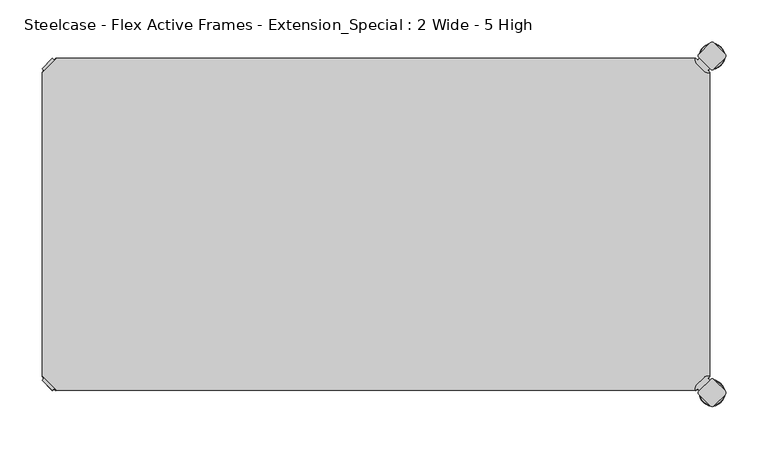
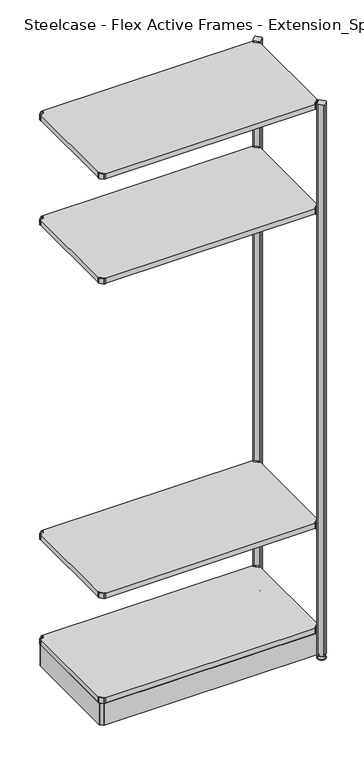
"""IFC4 building model written with IfcOpenShell, lengths in millimetres: furniture geometry, Steelcase - Flex Active Frames - Extension_Special : 2 Wide - 5 High."""

from ifc_helpers import new_model, si_unit, point, frame, frame_2d, origin, place, context, project, spatial, polyline, circle_curve, ellipse_curve, trimmed, segment, composite_curve, outline, extrude, source, transform, mapped, element, save
from ifc_brep_helpers import plane_surface, cylinder_surface, revolved_surface, advanced_brep


def steelcase_flex_active_frames_extension_special_2_wide_5_high_94a55dea(model_context):
    return source(origin(), model_context, "Body", "SolidModel", [
        advanced_brep(
        [(795.4995166, -396.9286835, 0.0), (809.4482375, -396.9286835, 0.0), (781.5507958, -396.9286835, 0.0), (810.3951451, -396.9286835, 2.116325), (780.6038882, -396.9286835, 2.116325), (804.2429012, -396.9286835, 8.9997406), (786.7561321, -396.9286835, 8.9997406), (802.9003852, -396.9286835, 8.9997406), (788.0986481, -396.9286835, 8.9997406), (802.9003852, -396.9286835, 12.0919909), (788.0986481, -396.9286835, 12.0919909), (802.3923852, -396.9286835, 12.5999909), (788.6066481, -396.9286835, 12.5999909), (799.518847, -396.9286835, 12.5999909), (791.4801863, -396.9286835, 12.5999909), (799.518847, -396.9286835, 22.7146261), (791.4801863, -396.9286835, 22.7146261), (795.4995166, -396.9286835, 22.7146261)],
        [
            (0, 1),
            (1, 2, circle_curve(frame((795.4995166, -396.9286835, 0.0), z_axis=(0.0, 0.0, -1.0), x_axis=(1.0, 0.0, 0.0)), 13.9487209)),
            (2, 0),
            (2, 1, circle_curve(frame((795.4995166, -396.9286835, 0.0), z_axis=(0.0, 0.0, -1.0), x_axis=(1.0, 0.0, 0.0)), 13.9487209)),
            (1, 3, circle_curve(frame((809.4482375, -396.9286835, 1.27), z_axis=(0.0, -1.0, 0.0), x_axis=(1.0, 0.0, 0.0)), 1.27)),
            (3, 4, circle_curve(frame((795.4995166, -396.9286835, 2.116325), z_axis=(0.0, 0.0, -1.0), x_axis=(1.0, 0.0, 0.0)), 14.8956285)),
            (4, 2, circle_curve(frame((781.5507958, -396.9286835, 1.27), z_axis=(0.0, -1.0, 0.0), x_axis=(-1.0, 0.0, 0.0)), 1.27)),
            (4, 3, circle_curve(frame((795.4995166, -396.9286835, 2.116325), z_axis=(0.0, 0.0, -1.0), x_axis=(1.0, 0.0, 0.0)), 14.8956285)),
            (3, 5),
            (5, 6, circle_curve(frame((795.4995166, -396.9286835, 8.9997406), z_axis=(0.0, 0.0, -1.0), x_axis=(1.0, 0.0, 0.0)), 8.7433846)),
            (6, 4),
            (6, 5, circle_curve(frame((795.4995166, -396.9286835, 8.9997406), z_axis=(0.0, 0.0, -1.0), x_axis=(1.0, 0.0, 0.0)), 8.7433846)),
            (5, 7),
            (7, 8, circle_curve(frame((795.4995166, -396.9286835, 8.9997406), z_axis=(0.0, 0.0, -1.0), x_axis=(1.0, 0.0, 0.0)), 7.4008685)),
            (8, 6),
            (8, 7, circle_curve(frame((795.4995166, -396.9286835, 8.9997406), z_axis=(0.0, 0.0, -1.0), x_axis=(1.0, 0.0, 0.0)), 7.4008685)),
            (7, 9),
            (9, 10, circle_curve(frame((795.4995166, -396.9286835, 12.0919909), z_axis=(0.0, 0.0, -1.0), x_axis=(1.0, 0.0, 0.0)), 7.4008685)),
            (10, 8),
            (10, 9, circle_curve(frame((795.4995166, -396.9286835, 12.0919909), z_axis=(0.0, 0.0, -1.0), x_axis=(1.0, 0.0, 0.0)), 7.4008685)),
            (9, 11, circle_curve(frame((802.3923852, -396.9286835, 12.0919909), z_axis=(0.0, -1.0, 0.0), x_axis=(1.0, 0.0, 0.0)), 0.508)),
            (11, 12, circle_curve(frame((795.4995166, -396.9286835, 12.5999909), z_axis=(0.0, 0.0, -1.0), x_axis=(1.0, 0.0, 0.0)), 6.8928685)),
            (12, 10, circle_curve(frame((788.6066481, -396.9286835, 12.0919909), z_axis=(0.0, -1.0, 0.0), x_axis=(-1.0, 0.0, 0.0)), 0.508)),
            (12, 11, circle_curve(frame((795.4995166, -396.9286835, 12.5999909), z_axis=(0.0, 0.0, -1.0), x_axis=(1.0, 0.0, 0.0)), 6.8928685)),
            (11, 13),
            (13, 14, circle_curve(frame((795.4995166, -396.9286835, 12.5999909), z_axis=(0.0, 0.0, -1.0), x_axis=(1.0, 0.0, 0.0)), 4.0193303)),
            (14, 12),
            (14, 13, circle_curve(frame((795.4995166, -396.9286835, 12.5999909), z_axis=(0.0, 0.0, -1.0), x_axis=(1.0, 0.0, 0.0)), 4.0193303)),
            (13, 15),
            (15, 16, circle_curve(frame((795.4995166, -396.9286835, 22.7146261), z_axis=(0.0, 0.0, -1.0), x_axis=(1.0, 0.0, 0.0)), 4.0193303)),
            (16, 14),
            (16, 15, circle_curve(frame((795.4995166, -396.9286835, 22.7146261), z_axis=(0.0, 0.0, -1.0), x_axis=(1.0, 0.0, 0.0)), 4.0193303)),
            (15, 17),
            (17, 16),
        ],
        [
            plane_surface(frame((795.4995166, -396.9286835, 0.0), z_axis=(0.0, 0.0, -1.0), x_axis=(1.0, 0.0, 0.0))),
            revolved_surface(trimmed(ellipse_curve(frame((809.4482375, -396.9286835, 1.27), z_axis=(0.0, 1.0, 0.0), x_axis=(1.0, 0.0, 0.0)), 1.27, 1.27), [point((810.3951451, -396.9286835, 2.116325))], [point((809.4482375, -396.9286835, 0.0))], True, "CARTESIAN"), (795.4995166, -396.9286835, 32.0514718), (0.0, 0.0, -1.0)),
            revolved_surface(polyline([(804.2429012, -396.9286835, 8.9997406), (810.3951451, -396.9286835, 2.116325)]), (795.4995166, -396.9286835, 32.0514718), (0.0, 0.0, -1.0)),
            plane_surface(frame((795.4995166, -396.9286835, 8.9997406), z_axis=(0.0, 0.0, 1.0), x_axis=(1.0, 0.0, 0.0))),
            cylinder_surface(frame((795.4995166, -396.9286835, 32.0514718), z_axis=(0.0, 0.0, -1.0), x_axis=(1.0, 0.0, 0.0)), 7.4008685),
            revolved_surface(trimmed(ellipse_curve(frame((802.3923852, -396.9286835, 12.0919909), z_axis=(0.0, 1.0, 0.0), x_axis=(1.0, 0.0, 0.0)), 0.508, 0.508), [point((802.3923852, -396.9286835, 12.5999909))], [point((802.9003852, -396.9286835, 12.0919909))], True, "CARTESIAN"), (795.4995166, -396.9286835, 32.0514718), (0.0, 0.0, -1.0)),
            plane_surface(frame((795.4995166, -396.9286835, 12.5999909), z_axis=(0.0, 0.0, 1.0), x_axis=(1.0, 0.0, 0.0))),
            cylinder_surface(frame((795.4995166, -396.9286835, 32.0514718), z_axis=(0.0, 0.0, -1.0), x_axis=(1.0, 0.0, 0.0)), 4.0193303),
            plane_surface(frame((795.4995166, -396.9286835, 22.7146261), z_axis=(0.0, 0.0, 1.0), x_axis=(1.0, 0.0, 0.0))),
        ],
        [
            (0, [[1, 2, 3]]),
            (0, [[-3, 4, -1]]),
            (1, [[-2, 5, 6, 7]]),
            (1, [[-4, -7, 8, -5]]),
            (2, [[-6, 9, 10, 11]]),
            (2, [[-8, -11, 12, -9]]),
            (3, [[-10, 13, 14, 15]]),
            (3, [[-12, -15, 16, -13]]),
            (4, [[-14, 17, 18, 19]]),
            (4, [[-16, -19, 20, -17]]),
            (5, [[-18, 21, 22, 23]]),
            (5, [[-20, -23, 24, -21]]),
            (6, [[-22, 25, 26, 27]]),
            (6, [[-24, -27, 28, -25]]),
            (7, [[-26, 29, 30, 31]]),
            (7, [[-28, -31, 32, -29]]),
            (8, [[-30, 33, 34]]),
            (8, [[-32, -34, -33]]),
        ],
    ),
        advanced_brep(
        [(795.4995166, 2.9246323, 0.0), (781.5507958, 2.9246323, 0.0), (809.4482375, 2.9246323, 0.0), (780.6038882, 2.9246323, 2.116325), (810.3951451, 2.9246323, 2.116325), (786.7561321, 2.9246323, 8.9997406), (804.2429012, 2.9246323, 8.9997406), (788.0986481, 2.9246323, 8.9997406), (802.9003852, 2.9246323, 8.9997406), (788.0986481, 2.9246323, 12.0919909), (802.9003852, 2.9246323, 12.0919909), (788.6066481, 2.9246323, 12.5999909), (802.3923852, 2.9246323, 12.5999909), (791.4801863, 2.9246323, 12.5999909), (799.518847, 2.9246323, 12.5999909), (791.4801863, 2.9246323, 22.7146261), (799.518847, 2.9246323, 22.7146261), (795.4995166, 2.9246323, 22.7146261)],
        [
            (0, 1),
            (1, 2, circle_curve(frame((795.4995166, 2.9246323, 0.0), z_axis=(0.0, 0.0, -1.0), x_axis=(1.0, 0.0, 0.0)), 13.9487209)),
            (2, 0),
            (2, 1, circle_curve(frame((795.4995166, 2.9246323, 0.0), z_axis=(0.0, 0.0, -1.0), x_axis=(1.0, 0.0, 0.0)), 13.9487209)),
            (1, 3, circle_curve(frame((781.5507958, 2.9246323, 1.27), z_axis=(0.0, 1.0, 0.0), x_axis=(-1.0, 0.0, 0.0)), 1.27)),
            (3, 4, circle_curve(frame((795.4995166, 2.9246323, 2.116325), z_axis=(0.0, 0.0, -1.0), x_axis=(1.0, 0.0, 0.0)), 14.8956285)),
            (4, 2, circle_curve(frame((809.4482375, 2.9246323, 1.27), z_axis=(0.0, 1.0, 0.0), x_axis=(1.0, 0.0, 0.0)), 1.27)),
            (4, 3, circle_curve(frame((795.4995166, 2.9246323, 2.116325), z_axis=(0.0, 0.0, -1.0), x_axis=(1.0, 0.0, 0.0)), 14.8956285)),
            (3, 5),
            (5, 6, circle_curve(frame((795.4995166, 2.9246323, 8.9997406), z_axis=(0.0, 0.0, -1.0), x_axis=(1.0, 0.0, 0.0)), 8.7433846)),
            (6, 4),
            (6, 5, circle_curve(frame((795.4995166, 2.9246323, 8.9997406), z_axis=(0.0, 0.0, -1.0), x_axis=(1.0, 0.0, 0.0)), 8.7433846)),
            (5, 7),
            (7, 8, circle_curve(frame((795.4995166, 2.9246323, 8.9997406), z_axis=(0.0, 0.0, -1.0), x_axis=(1.0, 0.0, 0.0)), 7.4008685)),
            (8, 6),
            (8, 7, circle_curve(frame((795.4995166, 2.9246323, 8.9997406), z_axis=(0.0, 0.0, -1.0), x_axis=(1.0, 0.0, 0.0)), 7.4008685)),
            (7, 9),
            (9, 10, circle_curve(frame((795.4995166, 2.9246323, 12.0919909), z_axis=(0.0, 0.0, -1.0), x_axis=(1.0, 0.0, 0.0)), 7.4008685)),
            (10, 8),
            (10, 9, circle_curve(frame((795.4995166, 2.9246323, 12.0919909), z_axis=(0.0, 0.0, -1.0), x_axis=(1.0, 0.0, 0.0)), 7.4008685)),
            (9, 11, circle_curve(frame((788.6066481, 2.9246323, 12.0919909), z_axis=(0.0, 1.0, 0.0), x_axis=(-1.0, 0.0, 0.0)), 0.508)),
            (11, 12, circle_curve(frame((795.4995166, 2.9246323, 12.5999909), z_axis=(0.0, 0.0, -1.0), x_axis=(1.0, 0.0, 0.0)), 6.8928685)),
            (12, 10, circle_curve(frame((802.3923852, 2.9246323, 12.0919909), z_axis=(0.0, 1.0, 0.0), x_axis=(1.0, 0.0, 0.0)), 0.508)),
            (12, 11, circle_curve(frame((795.4995166, 2.9246323, 12.5999909), z_axis=(0.0, 0.0, -1.0), x_axis=(1.0, 0.0, 0.0)), 6.8928685)),
            (11, 13),
            (13, 14, circle_curve(frame((795.4995166, 2.9246323, 12.5999909), z_axis=(0.0, 0.0, -1.0), x_axis=(1.0, 0.0, 0.0)), 4.0193303)),
            (14, 12),
            (14, 13, circle_curve(frame((795.4995166, 2.9246323, 12.5999909), z_axis=(0.0, 0.0, -1.0), x_axis=(1.0, 0.0, 0.0)), 4.0193303)),
            (13, 15),
            (15, 16, circle_curve(frame((795.4995166, 2.9246323, 22.7146261), z_axis=(0.0, 0.0, -1.0), x_axis=(1.0, 0.0, 0.0)), 4.0193303)),
            (16, 14),
            (16, 15, circle_curve(frame((795.4995166, 2.9246323, 22.7146261), z_axis=(0.0, 0.0, -1.0), x_axis=(1.0, 0.0, 0.0)), 4.0193303)),
            (15, 17),
            (17, 16),
        ],
        [
            plane_surface(frame((795.4995166, 2.9246323, 0.0), z_axis=(0.0, 0.0, -1.0), x_axis=(1.0, 0.0, 0.0))),
            revolved_surface(trimmed(ellipse_curve(frame((809.4482375, 2.9246323, 1.27), z_axis=(0.0, 1.0, 0.0), x_axis=(1.0, 0.0, 0.0)), 1.27, 1.27), [point((810.3951451, 2.9246323, 2.116325))], [point((809.4482375, 2.9246323, 0.0))], True, "CARTESIAN"), (795.4995166, 2.9246323, 32.0514718), (0.0, 0.0, -1.0)),
            revolved_surface(polyline([(804.2429012, 2.9246323, 8.9997406), (810.3951451, 2.9246323, 2.116325)]), (795.4995166, 2.9246323, 32.0514718), (0.0, 0.0, -1.0)),
            plane_surface(frame((795.4995166, 2.9246323, 8.9997406), z_axis=(0.0, 0.0, 1.0), x_axis=(1.0, 0.0, 0.0))),
            cylinder_surface(frame((795.4995166, 2.9246323, 32.0514718), z_axis=(0.0, 0.0, -1.0), x_axis=(1.0, 0.0, 0.0)), 7.4008685),
            revolved_surface(trimmed(ellipse_curve(frame((802.3923852, 2.9246323, 12.0919909), z_axis=(0.0, 1.0, 0.0), x_axis=(1.0, 0.0, 0.0)), 0.508, 0.508), [point((802.3923852, 2.9246323, 12.5999909))], [point((802.9003852, 2.9246323, 12.0919909))], True, "CARTESIAN"), (795.4995166, 2.9246323, 32.0514718), (0.0, 0.0, -1.0)),
            plane_surface(frame((795.4995166, 2.9246323, 12.5999909), z_axis=(0.0, 0.0, 1.0), x_axis=(1.0, 0.0, 0.0))),
            cylinder_surface(frame((795.4995166, 2.9246323, 32.0514718), z_axis=(0.0, 0.0, -1.0), x_axis=(1.0, 0.0, 0.0)), 4.0193303),
            plane_surface(frame((795.4995166, 2.9246323, 22.7146261), z_axis=(0.0, 0.0, 1.0), x_axis=(1.0, 0.0, 0.0))),
        ],
        [
            (0, [[1, 2, 3]]),
            (0, [[-3, 4, -1]]),
            (1, [[5, 6, 7, -2]]),
            (1, [[-7, 8, -5, -4]]),
            (2, [[9, 10, 11, -6]]),
            (2, [[-11, 12, -9, -8]]),
            (3, [[13, 14, 15, -10]]),
            (3, [[-15, 16, -13, -12]]),
            (4, [[17, 18, 19, -14]]),
            (4, [[-19, 20, -17, -16]]),
            (5, [[21, 22, 23, -18]]),
            (5, [[-23, 24, -21, -20]]),
            (6, [[25, 26, 27, -22]]),
            (6, [[-27, 28, -25, -24]]),
            (7, [[29, 30, 31, -26]]),
            (7, [[-31, 32, -29, -28]]),
            (8, [[33, 34, -30]]),
            (8, [[-34, -33, -32]]),
        ],
    ),
        extrude(outline(composite_curve([segment(polyline([(778.3364357, -1.93874), (780.4244011, 0.1493247), (792.6187028, -12.044977), (790.530772, -14.1329326), (792.5017057, -16.1038431), (792.4895198, -17.203916), (789.7543812, -16.8384277)]), True, "CONTINUOUS"), segment(trimmed(circle_curve(frame_2d((790.5954366, -10.5443729)), 6.35), [point((789.7543812, -16.8384277))], [point((786.1052784, -15.0344708))], False, "CARTESIAN"), True, "CONTINUOUS"), segment(polyline([(786.1052784, -15.0344708), (777.4359854, -6.3650612)]), True, "CONTINUOUS"), segment(trimmed(circle_curve(frame_2d((781.9261436, -1.8749633)), 6.35), [point((777.4359854, -6.3650612))], [point((775.6321123, -2.7161946))], False, "CARTESIAN"), True, "CONTINUOUS"), segment(polyline([(775.6321123, -2.7161946), (775.26654, 0.0189911), (776.3664729, 0.0311996), (778.3364357, -1.93874)]), True, "CONTINUOUS")], self_intersect=False)), frame((0.0, 0.0, 2096.4822075), z_axis=(0.0, 0.0, 1.0), x_axis=(1.0, 0.0, 0.0)), (0.0, 0.0, 1.0), 20.2281258),
        extrude(outline(composite_curve([segment(polyline([(778.3364357, -392.01526), (776.3664729, -393.9851996), (775.26654, -393.9729911), (775.6321123, -391.2378054)]), True, "CONTINUOUS"), segment(trimmed(circle_curve(frame_2d((781.9261436, -392.0790367)), 6.35), [point((775.6321123, -391.2378054))], [point((777.4359854, -387.5889388))], False, "CARTESIAN"), True, "CONTINUOUS"), segment(polyline([(777.4359854, -387.5889388), (786.1052784, -378.9195292)]), True, "CONTINUOUS"), segment(trimmed(circle_curve(frame_2d((790.5954366, -383.4096271)), 6.35), [point((786.1052784, -378.9195292))], [point((789.7543812, -377.1155723))], False, "CARTESIAN"), True, "CONTINUOUS"), segment(polyline([(789.7543812, -377.1155723), (792.4895198, -376.750084), (792.5017057, -377.8501569), (790.530772, -379.8210674), (792.6187028, -381.909023), (780.4244011, -394.1033247), (778.3364357, -392.01526)]), True, "CONTINUOUS")], self_intersect=False)), frame((0.0, 0.0, 2096.4822075), z_axis=(0.0, 0.0, 1.0), x_axis=(1.0, 0.0, 0.0)), (0.0, 0.0, 1.0), 20.2281258),
        extrude(outline(polyline([(0.0003876, -376.7599914), (0.0003876, -17.1940086), (17.1943962, 0.0), (775.2856038, 0.0), (792.4796124, -17.1940086), (792.4796124, -376.7599914), (775.2856038, -393.954), (17.1943962, -393.954), (0.0003876, -376.7599914)])), frame((0.0, 0.0, 2097.4996841), z_axis=(0.0, 0.0, 1.0), x_axis=(1.0, 0.0, 0.0)), (0.0, 0.0, 1.0), 19.0000031),
        extrude(outline(composite_curve([segment(polyline([(14.1435643, -1.93874), (16.1135271, 0.0311996), (17.21346, 0.0189911), (16.8478877, -2.7161946)]), True, "CONTINUOUS"), segment(trimmed(circle_curve(frame_2d((10.5538564, -1.8749633)), 6.35), [point((16.8478877, -2.7161946))], [point((15.0440146, -6.3650612))], False, "CARTESIAN"), True, "CONTINUOUS"), segment(polyline([(15.0440146, -6.3650612), (6.3747216, -15.0344708)]), True, "CONTINUOUS"), segment(trimmed(circle_curve(frame_2d((1.8845634, -10.5443729)), 6.35), [point((6.3747216, -15.0344708))], [point((2.7256188, -16.8384277))], False, "CARTESIAN"), True, "CONTINUOUS"), segment(polyline([(2.7256188, -16.8384277), (-0.0095198, -17.203916), (-0.0217057, -16.1038431), (1.949228, -14.1329326), (-0.1387028, -12.044977), (12.0555989, 0.1493247), (14.1435643, -1.93874)]), True, "CONTINUOUS")], self_intersect=False)), frame((0.0, 0.0, 2096.4822075), z_axis=(0.0, 0.0, 1.0), x_axis=(1.0, 0.0, 0.0)), (0.0, 0.0, 1.0), 20.2281258),
        extrude(outline(composite_curve([segment(polyline([(14.1435643, -392.01526), (12.0555989, -394.1033247), (-0.1387028, -381.909023), (1.949228, -379.8210674), (-0.0217057, -377.8501569), (-0.0095198, -376.750084), (2.7256188, -377.1155723)]), True, "CONTINUOUS"), segment(trimmed(circle_curve(frame_2d((1.8845634, -383.4096271)), 6.35), [point((2.7256188, -377.1155723))], [point((6.3747216, -378.9195292))], False, "CARTESIAN"), True, "CONTINUOUS"), segment(polyline([(6.3747216, -378.9195292), (15.0440146, -387.5889388)]), True, "CONTINUOUS"), segment(trimmed(circle_curve(frame_2d((10.5538564, -392.0790367)), 6.35), [point((15.0440146, -387.5889388))], [point((16.8478877, -391.2378054))], False, "CARTESIAN"), True, "CONTINUOUS"), segment(polyline([(16.8478877, -391.2378054), (17.21346, -393.9729911), (16.1135271, -393.9851996), (14.1435643, -392.01526)]), True, "CONTINUOUS")], self_intersect=False)), frame((0.0, 0.0, 2096.4822075), z_axis=(0.0, 0.0, 1.0), x_axis=(1.0, 0.0, 0.0)), (0.0, 0.0, 1.0), 20.2281258),
        extrude(outline(composite_curve([segment(polyline([(778.3364357, -1.93874), (780.4244011, 0.1493247), (792.6187028, -12.044977), (790.530772, -14.1329326), (792.5017057, -16.1038431), (792.4895198, -17.203916), (789.7543812, -16.8384277)]), True, "CONTINUOUS"), segment(trimmed(circle_curve(frame_2d((790.5954366, -10.5443729)), 6.35), [point((789.7543812, -16.8384277))], [point((786.1052784, -15.0344708))], False, "CARTESIAN"), True, "CONTINUOUS"), segment(polyline([(786.1052784, -15.0344708), (777.4359854, -6.3650612)]), True, "CONTINUOUS"), segment(trimmed(circle_curve(frame_2d((781.9261436, -1.8749633)), 6.35), [point((777.4359854, -6.3650612))], [point((775.6321123, -2.7161946))], False, "CARTESIAN"), True, "CONTINUOUS"), segment(polyline([(775.6321123, -2.7161946), (775.26654, 0.0189911), (776.3664729, 0.0311996), (778.3364357, -1.93874)]), True, "CONTINUOUS")], self_intersect=False)), frame((0.0, 0.0, 1696.4822044), z_axis=(0.0, 0.0, 1.0), x_axis=(1.0, 0.0, 0.0)), (0.0, 0.0, 1.0), 20.2281258),
        extrude(outline(composite_curve([segment(polyline([(778.3364357, -392.01526), (776.3664729, -393.9851996), (775.26654, -393.9729911), (775.6321123, -391.2378054)]), True, "CONTINUOUS"), segment(trimmed(circle_curve(frame_2d((781.9261436, -392.0790367)), 6.35), [point((775.6321123, -391.2378054))], [point((777.4359854, -387.5889388))], False, "CARTESIAN"), True, "CONTINUOUS"), segment(polyline([(777.4359854, -387.5889388), (786.1052784, -378.9195292)]), True, "CONTINUOUS"), segment(trimmed(circle_curve(frame_2d((790.5954366, -383.4096271)), 6.35), [point((786.1052784, -378.9195292))], [point((789.7543812, -377.1155723))], False, "CARTESIAN"), True, "CONTINUOUS"), segment(polyline([(789.7543812, -377.1155723), (792.4895198, -376.750084), (792.5017057, -377.8501569), (790.530772, -379.8210674), (792.6187028, -381.909023), (780.4244011, -394.1033247), (778.3364357, -392.01526)]), True, "CONTINUOUS")], self_intersect=False)), frame((0.0, 0.0, 1696.4822044), z_axis=(0.0, 0.0, 1.0), x_axis=(1.0, 0.0, 0.0)), (0.0, 0.0, 1.0), 20.2281258),
        extrude(outline(polyline([(0.0003876, -376.7599914), (0.0003876, -17.1940086), (17.1943962, 0.0), (775.2856038, 0.0), (792.4796124, -17.1940086), (792.4796124, -376.7599914), (775.2856038, -393.954), (17.1943962, -393.954), (0.0003876, -376.7599914)])), frame((0.0, 0.0, 1697.4996811), z_axis=(0.0, 0.0, 1.0), x_axis=(1.0, 0.0, 0.0)), (0.0, 0.0, 1.0), 19.0000031),
        extrude(outline(composite_curve([segment(polyline([(14.1435643, -1.93874), (16.1135271, 0.0311996), (17.21346, 0.0189911), (16.8478877, -2.7161946)]), True, "CONTINUOUS"), segment(trimmed(circle_curve(frame_2d((10.5538564, -1.8749633)), 6.35), [point((16.8478877, -2.7161946))], [point((15.0440146, -6.3650612))], False, "CARTESIAN"), True, "CONTINUOUS"), segment(polyline([(15.0440146, -6.3650612), (6.3747216, -15.0344708)]), True, "CONTINUOUS"), segment(trimmed(circle_curve(frame_2d((1.8845634, -10.5443729)), 6.35), [point((6.3747216, -15.0344708))], [point((2.7256188, -16.8384277))], False, "CARTESIAN"), True, "CONTINUOUS"), segment(polyline([(2.7256188, -16.8384277), (-0.0095198, -17.203916), (-0.0217057, -16.1038431), (1.949228, -14.1329326), (-0.1387028, -12.044977), (12.0555989, 0.1493247), (14.1435643, -1.93874)]), True, "CONTINUOUS")], self_intersect=False)), frame((0.0, 0.0, 1696.4822044), z_axis=(0.0, 0.0, 1.0), x_axis=(1.0, 0.0, 0.0)), (0.0, 0.0, 1.0), 20.2281258),
        extrude(outline(composite_curve([segment(polyline([(14.1435643, -392.01526), (12.0555989, -394.1033247), (-0.1387028, -381.909023), (1.949228, -379.8210674), (-0.0217057, -377.8501569), (-0.0095198, -376.750084), (2.7256188, -377.1155723)]), True, "CONTINUOUS"), segment(trimmed(circle_curve(frame_2d((1.8845634, -383.4096271)), 6.35), [point((2.7256188, -377.1155723))], [point((6.3747216, -378.9195292))], False, "CARTESIAN"), True, "CONTINUOUS"), segment(polyline([(6.3747216, -378.9195292), (15.0440146, -387.5889388)]), True, "CONTINUOUS"), segment(trimmed(circle_curve(frame_2d((10.5538564, -392.0790367)), 6.35), [point((15.0440146, -387.5889388))], [point((16.8478877, -391.2378054))], False, "CARTESIAN"), True, "CONTINUOUS"), segment(polyline([(16.8478877, -391.2378054), (17.21346, -393.9729911), (16.1135271, -393.9851996), (14.1435643, -392.01526)]), True, "CONTINUOUS")], self_intersect=False)), frame((0.0, 0.0, 1696.4822044), z_axis=(0.0, 0.0, 1.0), x_axis=(1.0, 0.0, 0.0)), (0.0, 0.0, 1.0), 20.2281258),
        extrude(outline(composite_curve([segment(polyline([(778.3364357, -1.93874), (780.4244011, 0.1493247), (792.6187028, -12.044977), (790.530772, -14.1329326), (792.5017057, -16.1038431), (792.4895198, -17.203916), (789.7543812, -16.8384277)]), True, "CONTINUOUS"), segment(trimmed(circle_curve(frame_2d((790.5954366, -10.5443729)), 6.35), [point((789.7543812, -16.8384277))], [point((786.1052784, -15.0344708))], False, "CARTESIAN"), True, "CONTINUOUS"), segment(polyline([(786.1052784, -15.0344708), (777.4359854, -6.3650612)]), True, "CONTINUOUS"), segment(trimmed(circle_curve(frame_2d((781.9261436, -1.8749633)), 6.35), [point((777.4359854, -6.3650612))], [point((775.6321123, -2.7161946))], False, "CARTESIAN"), True, "CONTINUOUS"), segment(polyline([(775.6321123, -2.7161946), (775.26654, 0.0189911), (776.3664729, 0.0311996), (778.3364357, -1.93874)]), True, "CONTINUOUS")], self_intersect=False)), frame((0.0, 0.0, 496.4821468), z_axis=(0.0, 0.0, 1.0), x_axis=(1.0, 0.0, 0.0)), (0.0, 0.0, 1.0), 20.2281258),
        extrude(outline(composite_curve([segment(polyline([(778.3364357, -392.01526), (776.3664729, -393.9851996), (775.26654, -393.9729911), (775.6321123, -391.2378054)]), True, "CONTINUOUS"), segment(trimmed(circle_curve(frame_2d((781.9261436, -392.0790367)), 6.35), [point((775.6321123, -391.2378054))], [point((777.4359854, -387.5889388))], False, "CARTESIAN"), True, "CONTINUOUS"), segment(polyline([(777.4359854, -387.5889388), (786.1052784, -378.9195292)]), True, "CONTINUOUS"), segment(trimmed(circle_curve(frame_2d((790.5954366, -383.4096271)), 6.35), [point((786.1052784, -378.9195292))], [point((789.7543812, -377.1155723))], False, "CARTESIAN"), True, "CONTINUOUS"), segment(polyline([(789.7543812, -377.1155723), (792.4895198, -376.750084), (792.5017057, -377.8501569), (790.530772, -379.8210674), (792.6187028, -381.909023), (780.4244011, -394.1033247), (778.3364357, -392.01526)]), True, "CONTINUOUS")], self_intersect=False)), frame((0.0, 0.0, 496.4821468), z_axis=(0.0, 0.0, 1.0), x_axis=(1.0, 0.0, 0.0)), (0.0, 0.0, 1.0), 20.2281258),
        extrude(outline(composite_curve([segment(polyline([(778.3364357, -1.93874), (780.4244011, 0.1493247), (792.6187028, -12.044977), (790.530772, -14.1329326), (792.5017057, -16.1038431), (792.4895198, -17.203916), (789.7543812, -16.8384277)]), True, "CONTINUOUS"), segment(trimmed(circle_curve(frame_2d((790.5954366, -10.5443729)), 6.35), [point((789.7543812, -16.8384277))], [point((786.1052784, -15.0344708))], False, "CARTESIAN"), True, "CONTINUOUS"), segment(polyline([(786.1052784, -15.0344708), (777.4359854, -6.3650612)]), True, "CONTINUOUS"), segment(trimmed(circle_curve(frame_2d((781.9261436, -1.8749633)), 6.35), [point((777.4359854, -6.3650612))], [point((775.6321123, -2.7161946))], False, "CARTESIAN"), True, "CONTINUOUS"), segment(polyline([(775.6321123, -2.7161946), (775.26654, 0.0189911), (776.3664729, 0.0311996), (778.3364357, -1.93874)]), True, "CONTINUOUS")], self_intersect=False)), frame((0.0, 0.0, 96.4824829), z_axis=(0.0, 0.0, 1.0), x_axis=(1.0, 0.0, 0.0)), (0.0, 0.0, 1.0), 20.2281258),
        extrude(outline(composite_curve([segment(polyline([(778.3364357, -392.01526), (776.3664729, -393.9851996), (775.26654, -393.9729911), (775.6321123, -391.2378054)]), True, "CONTINUOUS"), segment(trimmed(circle_curve(frame_2d((781.9261436, -392.0790367)), 6.35), [point((775.6321123, -391.2378054))], [point((777.4359854, -387.5889388))], False, "CARTESIAN"), True, "CONTINUOUS"), segment(polyline([(777.4359854, -387.5889388), (786.1052784, -378.9195292)]), True, "CONTINUOUS"), segment(trimmed(circle_curve(frame_2d((790.5954366, -383.4096271)), 6.35), [point((786.1052784, -378.9195292))], [point((789.7543812, -377.1155723))], False, "CARTESIAN"), True, "CONTINUOUS"), segment(polyline([(789.7543812, -377.1155723), (792.4895198, -376.750084), (792.5017057, -377.8501569), (790.530772, -379.8210674), (792.6187028, -381.909023), (780.4244011, -394.1033247), (778.3364357, -392.01526)]), True, "CONTINUOUS")], self_intersect=False)), frame((0.0, 0.0, 96.4824829), z_axis=(0.0, 0.0, 1.0), x_axis=(1.0, 0.0, 0.0)), (0.0, 0.0, 1.0), 20.2281258),
        extrude(outline(composite_curve([segment(trimmed(circle_curve(frame_2d((808.8538021, 2.9983545)), 3.048), [point((811.0090767, 5.1536029))], [point((811.0090505, 0.8430799))], False, "CARTESIAN"), True, "CONTINUOUS"), segment(polyline([(811.0090505, 0.8430799), (797.6462856, -12.5195224)]), True, "CONTINUOUS"), segment(trimmed(circle_curve(frame_2d((795.4910373, -10.3642478)), 3.048), [point((797.6462856, -12.5195224))], [point((793.3357649, -12.5194983))], False, "CARTESIAN"), True, "CONTINUOUS"), segment(polyline([(793.3357649, -12.5194983), (779.9732856, 0.8431164)]), True, "CONTINUOUS"), segment(trimmed(circle_curve(frame_2d((782.128558, 2.998367)), 3.048), [point((779.9732856, 0.8431164))], [point((779.9732965, 5.1536284))], False, "CARTESIAN"), True, "CONTINUOUS"), segment(polyline([(779.9732965, 5.1536284), (793.3359936, 18.5163256)]), True, "CONTINUOUS"), segment(trimmed(circle_curve(frame_2d((795.4912551, 16.3610641)), 3.048), [point((793.3359936, 18.5163256))], [point((797.6465297, 18.5163124))], False, "CARTESIAN"), True, "CONTINUOUS"), segment(polyline([(797.6465297, 18.5163124), (811.0090767, 5.1536029)]), True, "CONTINUOUS")], self_intersect=False)), frame((0.0, 0.0, 12.5999909), z_axis=(0.0, 0.0, 1.0), x_axis=(1.0, 0.0, 0.0)), (0.0, 0.0, 1.0), 2103.9820091),
        extrude(outline(composite_curve([segment(polyline([(811.0090767, -399.1076029), (797.6465297, -412.4703124)]), True, "CONTINUOUS"), segment(trimmed(circle_curve(frame_2d((795.4912551, -410.3150641)), 3.048), [point((797.6465297, -412.4703124))], [point((793.3359936, -412.4703256))], False, "CARTESIAN"), True, "CONTINUOUS"), segment(polyline([(793.3359936, -412.4703256), (779.9732965, -399.1076284)]), True, "CONTINUOUS"), segment(trimmed(circle_curve(frame_2d((782.128558, -396.952367)), 3.048), [point((779.9732965, -399.1076284))], [point((779.9732856, -394.7971164))], False, "CARTESIAN"), True, "CONTINUOUS"), segment(polyline([(779.9732856, -394.7971164), (793.3357649, -381.4345017)]), True, "CONTINUOUS"), segment(trimmed(circle_curve(frame_2d((795.4910373, -383.5897522)), 3.048), [point((793.3357649, -381.4345017))], [point((797.6462856, -381.4344776))], False, "CARTESIAN"), True, "CONTINUOUS"), segment(polyline([(797.6462856, -381.4344776), (811.0090505, -394.7970799)]), True, "CONTINUOUS"), segment(trimmed(circle_curve(frame_2d((808.8538021, -396.9523545)), 3.048), [point((811.0090505, -394.7970799))], [point((811.0090767, -399.1076029))], False, "CARTESIAN"), True, "CONTINUOUS")], self_intersect=False)), frame((0.0, 0.0, 12.5999909), z_axis=(0.0, 0.0, 1.0), x_axis=(1.0, 0.0, 0.0)), (0.0, 0.0, 1.0), 2103.9820091),
        extrude(outline(polyline([(0.0003876, -376.7599914), (0.0003876, -17.1940086), (17.1943962, 0.0), (775.2856038, 0.0), (792.4796124, -17.1940086), (792.4796124, -376.7599914), (775.2856038, -393.954), (17.1943962, -393.954), (0.0003876, -376.7599914)])), frame((0.0, 0.0, 97.4999596), z_axis=(0.0, 0.0, 1.0), x_axis=(1.0, 0.0, 0.0)), (0.0, 0.0, 1.0), 19.0000031),
        extrude(outline(composite_curve([segment(polyline([(14.1435643, -1.93874), (16.1135271, 0.0311996), (17.21346, 0.0189911), (16.8478877, -2.7161946)]), True, "CONTINUOUS"), segment(trimmed(circle_curve(frame_2d((10.5538564, -1.8749633)), 6.35), [point((16.8478877, -2.7161946))], [point((15.0440146, -6.3650612))], False, "CARTESIAN"), True, "CONTINUOUS"), segment(polyline([(15.0440146, -6.3650612), (6.3747216, -15.0344708)]), True, "CONTINUOUS"), segment(trimmed(circle_curve(frame_2d((1.8845634, -10.5443729)), 6.35), [point((6.3747216, -15.0344708))], [point((2.7256188, -16.8384277))], False, "CARTESIAN"), True, "CONTINUOUS"), segment(polyline([(2.7256188, -16.8384277), (-0.0095198, -17.203916), (-0.0217057, -16.1038431), (1.949228, -14.1329326), (-0.1387028, -12.044977), (12.0555989, 0.1493247), (14.1435643, -1.93874)]), True, "CONTINUOUS")], self_intersect=False)), frame((0.0, 0.0, 96.4824829), z_axis=(0.0, 0.0, 1.0), x_axis=(1.0, 0.0, 0.0)), (0.0, 0.0, 1.0), 20.2281258),
        extrude(outline(composite_curve([segment(polyline([(14.1435643, -392.01526), (12.0555989, -394.1033247), (-0.1387028, -381.909023), (1.949228, -379.8210674), (-0.0217057, -377.8501569), (-0.0095198, -376.750084), (2.7256188, -377.1155723)]), True, "CONTINUOUS"), segment(trimmed(circle_curve(frame_2d((1.8845634, -383.4096271)), 6.35), [point((2.7256188, -377.1155723))], [point((6.3747216, -378.9195292))], False, "CARTESIAN"), True, "CONTINUOUS"), segment(polyline([(6.3747216, -378.9195292), (15.0440146, -387.5889388)]), True, "CONTINUOUS"), segment(trimmed(circle_curve(frame_2d((10.5538564, -392.0790367)), 6.35), [point((15.0440146, -387.5889388))], [point((16.8478877, -391.2378054))], False, "CARTESIAN"), True, "CONTINUOUS"), segment(polyline([(16.8478877, -391.2378054), (17.21346, -393.9729911), (16.1135271, -393.9851996), (14.1435643, -392.01526)]), True, "CONTINUOUS")], self_intersect=False)), frame((0.0, 0.0, 96.4824829), z_axis=(0.0, 0.0, 1.0), x_axis=(1.0, 0.0, 0.0)), (0.0, 0.0, 1.0), 20.2281258),
        extrude(outline(polyline([(0.0003876, -376.7599914), (0.0003876, -17.1940086), (17.1943962, 0.0), (775.2856038, 0.0), (792.4796124, -17.1940086), (792.4796124, -376.7599914), (775.2856038, -393.954), (17.1943962, -393.954), (0.0003876, -376.7599914)])), frame((0.0, 0.0, 497.4996235), z_axis=(0.0, 0.0, 1.0), x_axis=(1.0, 0.0, 0.0)), (0.0, 0.0, 1.0), 19.0000031),
        extrude(outline(composite_curve([segment(polyline([(14.1435643, -1.93874), (16.1135271, 0.0311996), (17.21346, 0.0189911), (16.8478877, -2.7161946)]), True, "CONTINUOUS"), segment(trimmed(circle_curve(frame_2d((10.5538564, -1.8749633)), 6.35), [point((16.8478877, -2.7161946))], [point((15.0440146, -6.3650612))], False, "CARTESIAN"), True, "CONTINUOUS"), segment(polyline([(15.0440146, -6.3650612), (6.3747216, -15.0344708)]), True, "CONTINUOUS"), segment(trimmed(circle_curve(frame_2d((1.8845634, -10.5443729)), 6.35), [point((6.3747216, -15.0344708))], [point((2.7256188, -16.8384277))], False, "CARTESIAN"), True, "CONTINUOUS"), segment(polyline([(2.7256188, -16.8384277), (-0.0095198, -17.203916), (-0.0217057, -16.1038431), (1.949228, -14.1329326), (-0.1387028, -12.044977), (12.0555989, 0.1493247), (14.1435643, -1.93874)]), True, "CONTINUOUS")], self_intersect=False)), frame((0.0, 0.0, 496.4821468), z_axis=(0.0, 0.0, 1.0), x_axis=(1.0, 0.0, 0.0)), (0.0, 0.0, 1.0), 20.2281258),
        extrude(outline(composite_curve([segment(polyline([(14.1435643, -392.01526), (12.0555989, -394.1033247), (-0.1387028, -381.909023), (1.949228, -379.8210674), (-0.0217057, -377.8501569), (-0.0095198, -376.750084), (2.7256188, -377.1155723)]), True, "CONTINUOUS"), segment(trimmed(circle_curve(frame_2d((1.8845634, -383.4096271)), 6.35), [point((2.7256188, -377.1155723))], [point((6.3747216, -378.9195292))], False, "CARTESIAN"), True, "CONTINUOUS"), segment(polyline([(6.3747216, -378.9195292), (15.0440146, -387.5889388)]), True, "CONTINUOUS"), segment(trimmed(circle_curve(frame_2d((10.5538564, -392.0790367)), 6.35), [point((15.0440146, -387.5889388))], [point((16.8478877, -391.2378054))], False, "CARTESIAN"), True, "CONTINUOUS"), segment(polyline([(16.8478877, -391.2378054), (17.21346, -393.9729911), (16.1135271, -393.9851996), (14.1435643, -392.01526)]), True, "CONTINUOUS")], self_intersect=False)), frame((0.0, 0.0, 496.4821468), z_axis=(0.0, 0.0, 1.0), x_axis=(1.0, 0.0, 0.0)), (0.0, 0.0, 1.0), 20.2281258),
        extrude(outline(composite_curve([segment(polyline([(12.155908, -1.0018273), (780.3465262, -1.0019264)]), True, "CONTINUOUS"), segment(trimmed(circle_curve(frame_2d((780.3240926, -3.5418273)), 2.54), [point((780.3465262, -1.0019264))], [point((782.1201439, -1.7457761))], False, "CARTESIAN"), True, "CONTINUOUS"), segment(polyline([(782.1201439, -1.7457761), (790.7284839, -10.3541161)]), True, "CONTINUOUS"), segment(trimmed(circle_curve(frame_2d((788.9324327, -12.1501673)), 2.54), [point((790.7284839, -10.3541161))], [point((791.4724327, -12.1501687))], False, "CARTESIAN"), True, "CONTINUOUS"), segment(polyline([(791.4724327, -12.1501687), (791.4722349, -381.8355295)]), True, "CONTINUOUS"), segment(trimmed(circle_curve(frame_2d((788.9324327, -381.8038327)), 2.54), [point((791.4722349, -381.8355295))], [point((790.7284839, -383.5998839))], False, "CARTESIAN"), True, "CONTINUOUS"), segment(polyline([(790.7284839, -383.5998839), (782.1201439, -392.2082239)]), True, "CONTINUOUS"), segment(trimmed(circle_curve(frame_2d((780.3240926, -390.4121727)), 2.54), [point((782.1201439, -392.2082239))], [point((780.3465262, -392.9520736))], False, "CARTESIAN"), True, "CONTINUOUS"), segment(polyline([(780.3465262, -392.9520736), (12.155908, -392.9521727)]), True, "CONTINUOUS"), segment(trimmed(circle_curve(frame_2d((12.1559074, -390.4121727)), 2.54), [point((12.155908, -392.9521727))], [point((10.3598561, -392.2082239))], False, "CARTESIAN"), True, "CONTINUOUS"), segment(polyline([(10.3598561, -392.2082239), (1.7515161, -383.5998839)]), True, "CONTINUOUS"), segment(trimmed(circle_curve(frame_2d((3.5475673, -381.8038327)), 2.54), [point((1.7515161, -383.5998839))], [point((1.0077651, -381.8355295))], False, "CARTESIAN"), True, "CONTINUOUS"), segment(polyline([(1.0077651, -381.8355295), (1.0075673, -12.1501687)]), True, "CONTINUOUS"), segment(trimmed(circle_curve(frame_2d((3.5475673, -12.1501673)), 2.54), [point((1.0075673, -12.1501687))], [point((1.7515161, -10.3541161))], False, "CARTESIAN"), True, "CONTINUOUS"), segment(polyline([(1.7515161, -10.3541161), (10.3598561, -1.7457761)]), True, "CONTINUOUS"), segment(trimmed(circle_curve(frame_2d((12.1559074, -3.5418273)), 2.54), [point((10.3598561, -1.7457761))], [point((12.155908, -1.0018273))], False, "CARTESIAN"), True, "CONTINUOUS")], self_intersect=False)), frame((0.0, 0.0, 12.5999909), z_axis=(0.0, 0.0, 1.0), x_axis=(1.0, 0.0, 0.0)), (0.0, 0.0, 1.0), 82.39977),
    ])


if __name__ == "__main__":
    model = new_model("IFC4")
    model_context = context("Model", 3, world=origin())
    ifc_project = project(units=[si_unit("LENGTHUNIT", "METRE", prefix="MILLI")], contexts=[model_context])
    site = spatial("IfcSite", under=ifc_project)
    building = spatial("IfcBuilding", under=site)
    placement = place(None, origin())
    steelcase_flex_active_frames_extension_special_2_wide_5_high_shape = steelcase_flex_active_frames_extension_special_2_wide_5_high_94a55dea(model_context)
    element("IfcFurniture", 1, ObjectType="Steelcase - Flex Active Frames - Extension_Special : 2 Wide - 5 High", at=placement, inside=building, context=model_context, shape_type="MappedRepresentation", body=[
        mapped(steelcase_flex_active_frames_extension_special_2_wide_5_high_shape, transform((0.0, 0.0, 0.0), x_axis=(1.0, 0.0, 0.0), y_axis=(0.0, 1.0, 0.0), z_axis=(0.0, 0.0, 1.0))),
    ])
    save(model, "model.ifc")
